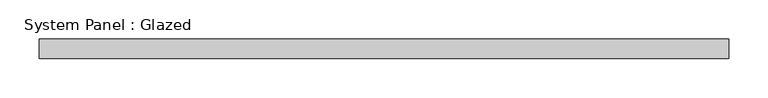
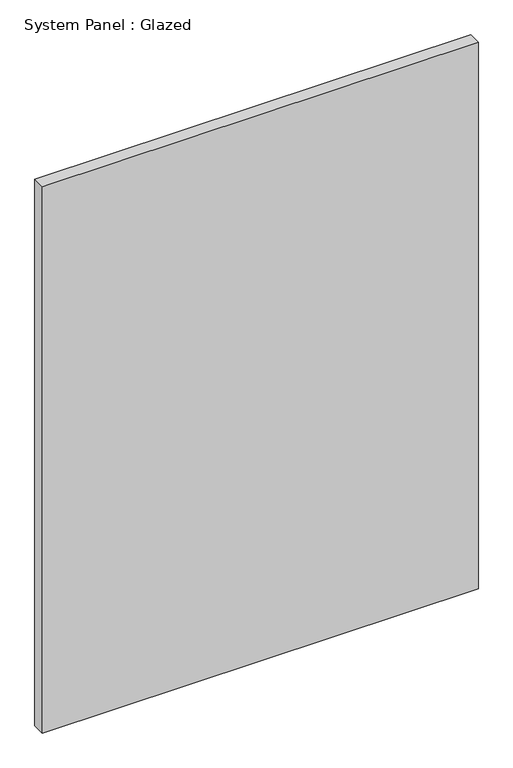
"""IFC4 building model written with IfcOpenShell, lengths in millimetres: plate geometry, System Panel : Glazed."""

from ifc_helpers import new_model, si_unit, origin, origin_with_axes, place, context, project, spatial, polyline, outline, extrude, source, transform, mapped, element, save


def system_panel_glazed_f7d58881(model_context):
    return source(origin(), model_context, "Body", "SweptSolid", [
        extrude(outline(polyline([(441.3250951, 25.4), (-441.3250951, 25.4), (-441.3250951, 50.8), (441.3250951, 50.8), (441.3250951, 25.4)])), origin_with_axes(), (0.0, 0.0, 1.0), 1168.4),
    ])


if __name__ == "__main__":
    model = new_model("IFC4")
    model_context = context("Model", 3, world=origin())
    ifc_project = project(units=[si_unit("LENGTHUNIT", "METRE", prefix="MILLI")], contexts=[model_context])
    site = spatial("IfcSite", under=ifc_project)
    building = spatial("IfcBuilding", under=site)
    placement = place(None, origin())
    system_panel_glazed_shape = system_panel_glazed_f7d58881(model_context)
    element("IfcPlate", 1, ObjectType="System Panel : Glazed", at=placement, inside=building, context=model_context, shape_type="MappedRepresentation", body=[
        mapped(system_panel_glazed_shape, transform((0.0, 0.0, 0.0), x_axis=(1.0, 0.0, 0.0), y_axis=(0.0, 1.0, 0.0), z_axis=(0.0, 0.0, 1.0))),
    ])
    save(model, "model.ifc")
